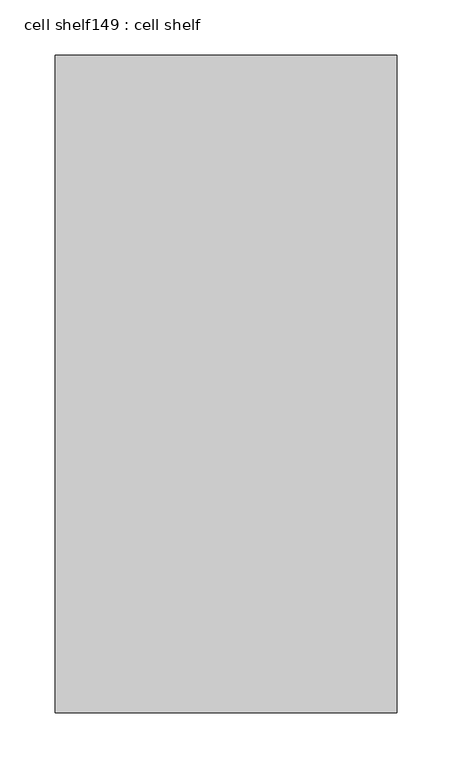
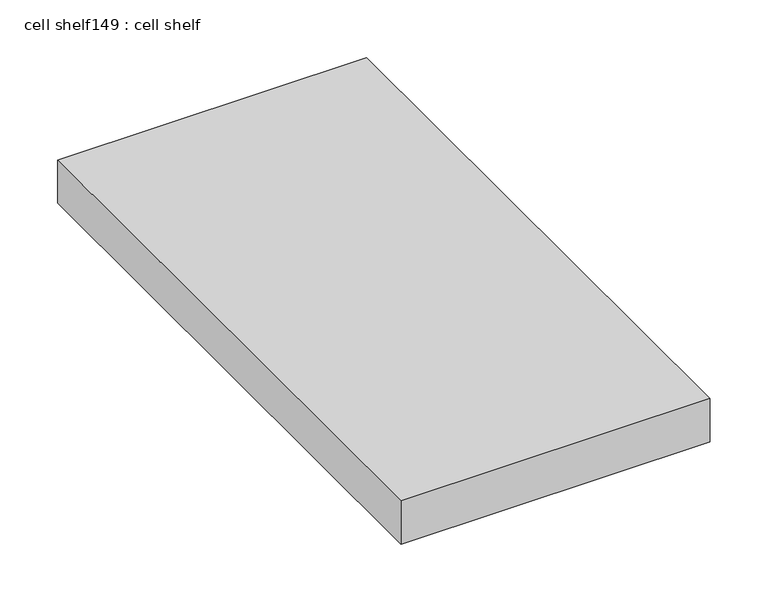
"""IFC4 building model written with IfcOpenShell, lengths in millimetres: proxy geometry, cell shelf149 : cell shelf."""

from ifc_helpers import new_model, si_unit, frame, origin, place, context, project, spatial, polyline, outline, extrude, source, transform, mapped, element, save


def cell_shelf149_cell_shelf_e64d4722(model_context):
    return source(origin(), model_context, "Body", "SweptSolid", [
        extrude(outline(polyline([(-128622.2326094, -72014.3928685), (-128622.2326094, -72609.4792641), (-128931.5804059, -72609.4792641), (-128931.5804059, -72014.3928685), (-128622.2326094, -72014.3928685)])), frame((0.0, 0.0, 1320.0941517), z_axis=(0.0, 0.0, 1.0), x_axis=(1.0, 0.0, 0.0)), (0.0, 0.0, 1.0), 45.8133004),
    ])


if __name__ == "__main__":
    model = new_model("IFC4")
    model_context = context("Model", 3, world=origin())
    ifc_project = project(units=[si_unit("LENGTHUNIT", "METRE", prefix="MILLI")], contexts=[model_context])
    site = spatial("IfcSite", under=ifc_project)
    building = spatial("IfcBuilding", under=site)
    placement = place(None, origin())
    cell_shelf149_cell_shelf_shape = cell_shelf149_cell_shelf_e64d4722(model_context)
    element("IfcBuildingElementProxy", 1, Name="cell shelf149 : cell shelf", ObjectType="cell shelf149 : cell shelf", at=placement, inside=building, context=model_context, shape_type="MappedRepresentation", body=[
        mapped(cell_shelf149_cell_shelf_shape, transform((0.0, 0.0, 0.0), x_axis=(1.0, 0.0, 0.0), y_axis=(0.0, 1.0, 0.0), z_axis=(0.0, 0.0, 1.0))),
    ])
    save(model, "model.ifc")
